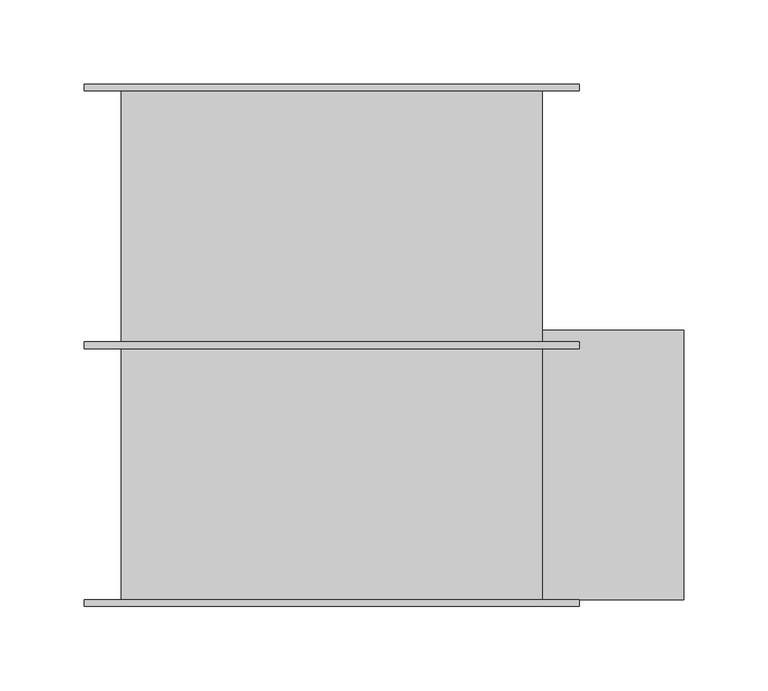
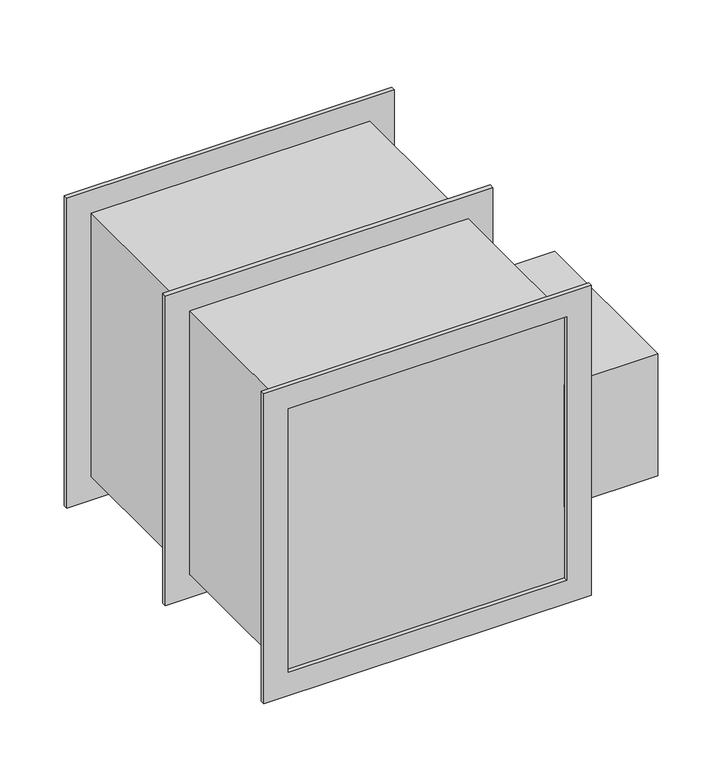
"""IFC4 building model written with IfcOpenShell, lengths in millimetres: proxy geometry."""

from ifc_helpers import new_model, si_unit, frame, origin, place, context, project, spatial, polyline, outline, extrude, source, transform, mapped, element, save


def generic_models_299bdf74(model_context):
    return source(origin(), model_context, "Body", "SweptSolid", [
        extrude(outline(polyline([(24839.661518, -70151.2893333), (24839.661518, -70311.2893333), (24755.661518, -70311.2893333), (24755.661518, -70151.2893333), (24839.661518, -70151.2893333)])), frame((0.0, 0.0, 11452.0), z_axis=(0.0, 0.0, 1.0), x_axis=(1.0, 0.0, 0.0)), (0.0, 0.0, 1.0), 116.0),
        extrude(outline(polyline([(24505.661518, -70009.2893333), (24755.661518, -70009.2893333), (24755.661518, -70311.2893333), (24505.661518, -70311.2893333), (24505.661518, -70009.2893333)])), frame((0.0, 0.0, 11385.0), z_axis=(0.0, 0.0, 1.0), x_axis=(1.0, 0.0, 0.0)), (0.0, 0.0, 1.0), 250.0),
        extrude(outline(polyline([(11363.0, 24777.661518), (11657.0, 24777.661518), (11657.0, 24483.661518), (11363.0, 24483.661518), (11363.0, 24777.661518)]), holes=[polyline([(11635.0, 24505.661518), (11635.0, 24755.661518), (11385.0, 24755.661518), (11385.0, 24505.661518), (11635.0, 24505.661518)])]), frame((0.0, -70162.2893333, 0.0), z_axis=(0.0, 1.0, 0.0), x_axis=(0.0, 0.0, 1.0)), (0.0, 0.0, 1.0), 4.0),
        extrude(outline(polyline([(11363.0, 24777.661518), (11657.0, 24777.661518), (11657.0, 24483.661518), (11363.0, 24483.661518), (11363.0, 24777.661518)]), holes=[polyline([(11635.0, 24505.661518), (11635.0, 24755.661518), (11385.0, 24755.661518), (11385.0, 24505.661518), (11635.0, 24505.661518)])]), frame((0.0, -70009.2893333, 0.0), z_axis=(0.0, 1.0, 0.0), x_axis=(0.0, 0.0, 1.0)), (0.0, 0.0, 1.0), 4.0),
        extrude(outline(polyline([(11657.0, 24777.661518), (11657.0, 24483.661518), (11363.0, 24483.661518), (11363.0, 24777.661518), (11657.0, 24777.661518)]), holes=[polyline([(11385.0, 24505.661518), (11635.0, 24505.661518), (11635.0, 24755.661518), (11385.0, 24755.661518), (11385.0, 24505.661518)])]), frame((0.0, -70315.2893333, 0.0), z_axis=(0.0, 1.0, 0.0), x_axis=(0.0, 0.0, 1.0)), (0.0, 0.0, 1.0), 4.0),
    ])


if __name__ == "__main__":
    model = new_model("IFC4")
    model_context = context("Model", 3, world=origin())
    ifc_project = project(units=[si_unit("LENGTHUNIT", "METRE", prefix="MILLI")], contexts=[model_context])
    site = spatial("IfcSite", under=ifc_project)
    building = spatial("IfcBuilding", under=site)
    placement = place(None, origin())
    generic_models_shape = generic_models_299bdf74(model_context)
    element("IfcBuildingElementProxy", 1, Name="Generic Models", at=placement, inside=building, context=model_context, shape_type="MappedRepresentation", body=[
        mapped(generic_models_shape, transform((0.0, 0.0, 0.0), x_axis=(1.0, 0.0, 0.0), y_axis=(0.0, 1.0, 0.0), z_axis=(0.0, 0.0, 1.0))),
    ])
    save(model, "model.ifc")
